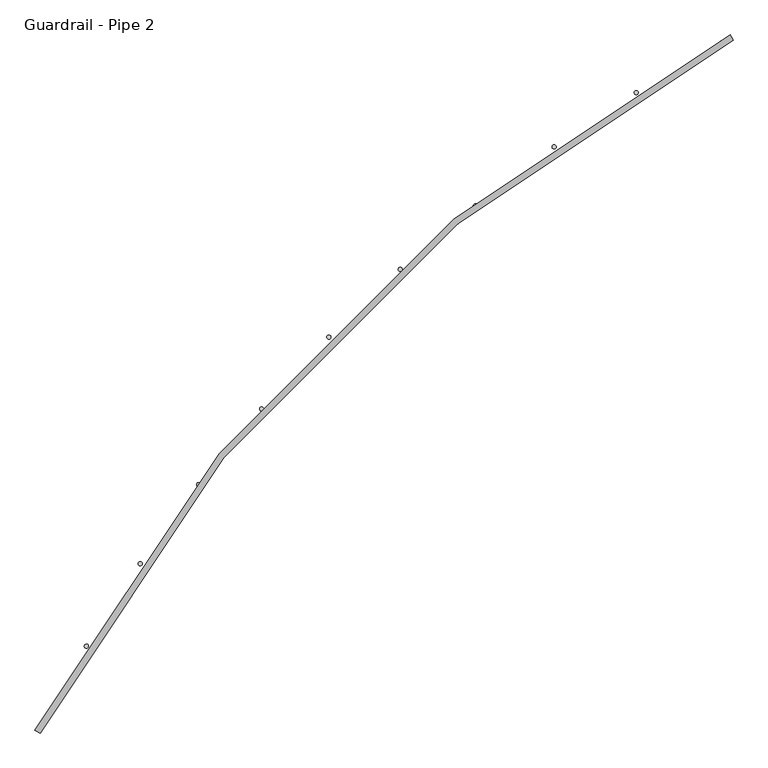
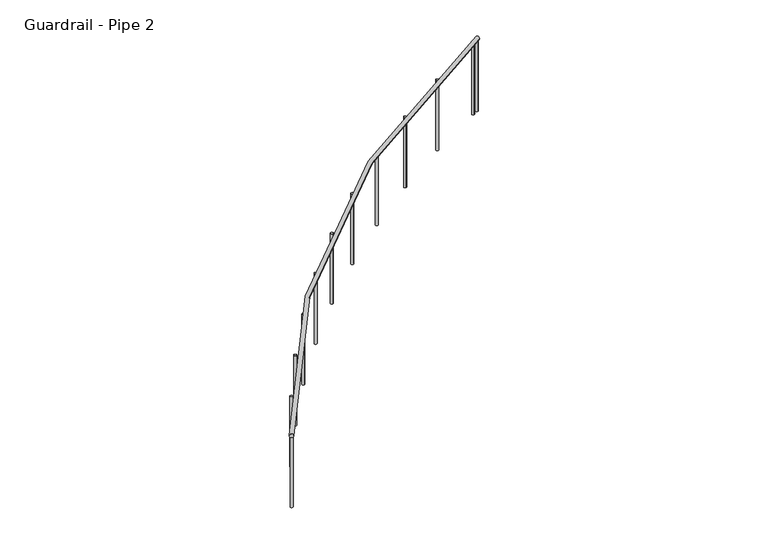
"""IFC4 building model written with IfcOpenShell, lengths in millimetres: railing geometry, Guardrail - Pipe 2."""

import ifcopenshell
import ifcopenshell.guid

model = None  # the IFC model being written
_history = None  # IfcOwnerHistory: only IFC2X3 demands one
_inside = {}  # id of a spatial element -> (the spatial element, [elements in it])
_under = {}  # id of a project, library or spatial element -> (it, [spatial elements below it])
_declared = {}  # id of a project -> (the project, [libraries it declares])
_typed = {}  # id of a type object -> (the type object, [elements of that type])
_made_of = {}  # id of a material, layer set ... -> (it, [elements and type objects made of it])


def new_model(schema):
    """Start an empty IFC model of exactly this schema.

    Asked for "IFC4X3", IfcOpenShell would pick the latest addendum, in which some entities
    have other attributes; the version numbers below select the first issue.
    IFC2X3 requires an IfcOwnerHistory on every rooted entity: one is made here for all.
    """
    global model, _history
    if schema == "IFC4X3":
        model = ifcopenshell.file(schema_version=(4, 3, 0, 0))
    else:
        model = ifcopenshell.file(schema=schema)
    _inside.clear()
    _under.clear()
    _declared.clear()
    _typed.clear()
    _made_of.clear()
    _history = None
    if model.schema == "IFC2X3":
        org = make("IfcOrganization", Name="unknown")
        user = make(
            "IfcPersonAndOrganization",
            ThePerson=make("IfcPerson", FamilyName="unknown"),
            TheOrganization=org,
        )
        app = make(
            "IfcApplication",
            ApplicationDeveloper=org,
            Version="unknown",
            ApplicationFullName="unknown",
            ApplicationIdentifier="unknown",
        )
        _history = make(
            "IfcOwnerHistory",
            OwningUser=user,
            OwningApplication=app,
            ChangeAction="ADDED",
            CreationDate=0,
        )
    return model


def make(cls, **values):
    """One entity of the class cls with the attributes given. An attribute that is None is left unset."""
    return model.create_entity(
        cls, **{name: value for name, value in values.items() if value is not None}
    )


def rooted(cls, **values):
    """An entity with a GlobalId (a new one), such as an element, a storey or a relation."""
    return make(cls, GlobalId=ifcopenshell.guid.new(), OwnerHistory=_history, **values)


def si_unit(unit_type, name, prefix=None):
    """IfcSIUnit, for example si_unit("LENGTHUNIT", "METRE", prefix="MILLI")."""
    return make("IfcSIUnit", UnitType=unit_type, Prefix=prefix, Name=name)


def assignment(units):
    """IfcUnitAssignment: the units of a project."""
    return None if units is None else make("IfcUnitAssignment", Units=units)


def point(xyz):
    """IfcCartesianPoint."""
    return None if xyz is None else make("IfcCartesianPoint", Coordinates=xyz)


def direction(xyz):
    """IfcDirection."""
    return None if xyz is None else make("IfcDirection", DirectionRatios=xyz)


def frame(location, z_axis=None, x_axis=None):
    """IfcAxis2Placement3D, a coordinate frame: its origin and axes. An axis left out is left unset."""
    return make(
        "IfcAxis2Placement3D",
        Location=point(location),
        Axis=direction(z_axis),
        RefDirection=direction(x_axis),
    )


def frame_2d(location, x_axis=None):
    """IfcAxis2Placement2D, a coordinate frame in the plane: its origin and x axis."""
    return make(
        "IfcAxis2Placement2D", Location=point(location), RefDirection=direction(x_axis)
    )


def origin():
    """The frame at (0, 0, 0) with its axes left unset."""
    return frame((0.0, 0.0, 0.0))


def place(relative_to, where):
    """IfcLocalPlacement: puts the frame where relative to a parent placement (None: the world)."""
    return make(
        "IfcLocalPlacement", PlacementRelTo=relative_to, RelativePlacement=where
    )


def context(
    kind, dimensions, precision=None, world=None, true_north=None, identifier=None
):
    """IfcGeometricRepresentationContext, for example the 3D "Model" context."""
    return make(
        "IfcGeometricRepresentationContext",
        ContextIdentifier=identifier,
        ContextType=kind,
        CoordinateSpaceDimension=dimensions,
        Precision=precision,
        WorldCoordinateSystem=world,
        TrueNorth=true_north,
    )


def project(units=None, contexts=None):
    """IfcProject with its units and contexts."""
    return rooted(
        "IfcProject",
        Name="project",
        RepresentationContexts=contexts,
        UnitsInContext=assignment(units),
    )


def spatial(cls, under=None, at=None, **own):
    """A site, building, storey or space (cls), placed at a placement, below another one or the project."""
    s = rooted(cls, ObjectPlacement=at, **own)
    if under is not None:
        _under.setdefault(under.id(), (under, []))[1].append(s)
    return s


def circle_curve(where, radius):
    """IfcCircle in the frame where."""
    return make("IfcCircle", Position=where, Radius=radius)


def ellipse_curve(where, semi_axis1, semi_axis2):
    """IfcEllipse in the frame where."""
    return make(
        "IfcEllipse", Position=where, SemiAxis1=semi_axis1, SemiAxis2=semi_axis2
    )


def trimmed(basis, trim1, trim2, sense, master):
    """IfcTrimmedCurve: the piece of a basis curve between two trims."""
    return make(
        "IfcTrimmedCurve",
        BasisCurve=basis,
        Trim1=trim1,
        Trim2=trim2,
        SenseAgreement=sense,
        MasterRepresentation=master,
    )


def segment(curve, same_sense, transition):
    """IfcCompositeCurveSegment."""
    return make(
        "IfcCompositeCurveSegment",
        Transition=transition,
        SameSense=same_sense,
        ParentCurve=curve,
    )


def composite_curve(segments, self_intersect=None):
    """IfcCompositeCurve: segments joined end to end."""
    return make("IfcCompositeCurve", Segments=segments, SelfIntersect=self_intersect)


def outline(outer, holes=None, kind="AREA"):
    """IfcArbitraryClosedProfileDef: a profile drawn as a closed curve; with holes, ...WithVoids."""
    if holes is None:
        return make("IfcArbitraryClosedProfileDef", ProfileType=kind, OuterCurve=outer)
    return make(
        "IfcArbitraryProfileDefWithVoids",
        ProfileType=kind,
        OuterCurve=outer,
        InnerCurves=holes,
    )


def extrude(swept, where, along, depth):
    """IfcExtrudedAreaSolid: the profile swept, set in the frame where, extruded along a direction by depth."""
    return make(
        "IfcExtrudedAreaSolid",
        SweptArea=swept,
        Position=where,
        ExtrudedDirection=direction(along),
        Depth=depth,
    )


def shape(context_of_items, identifier, shape_type, items):
    """IfcShapeRepresentation: the items that make up one representation, for example the "Body"."""
    return make(
        "IfcShapeRepresentation",
        ContextOfItems=context_of_items,
        RepresentationIdentifier=identifier,
        RepresentationType=shape_type,
        Items=items,
    )


def source(mapping_origin, context_of_items, identifier, shape_type, items):
    """IfcRepresentationMap: a shape defined once, which mapped items show again and again."""
    return make(
        "IfcRepresentationMap",
        MappingOrigin=mapping_origin,
        MappedRepresentation=shape(context_of_items, identifier, shape_type, items),
    )


def transform(
    local_origin,
    x_axis=None,
    y_axis=None,
    z_axis=None,
    scale=None,
    scale2=None,
    scale3=None,
    uniform=True,
):
    """IfcCartesianTransformationOperator3D, or its non-uniform kind. x_axis, y_axis, z_axis: its Axis1, 2, 3."""
    if uniform:
        return make(
            "IfcCartesianTransformationOperator3D",
            Axis1=direction(x_axis),
            Axis2=direction(y_axis),
            LocalOrigin=point(local_origin),
            Scale=scale,
            Axis3=direction(z_axis),
        )
    return make(
        "IfcCartesianTransformationOperator3DnonUniform",
        Axis1=direction(x_axis),
        Axis2=direction(y_axis),
        LocalOrigin=point(local_origin),
        Scale=scale,
        Axis3=direction(z_axis),
        Scale2=scale2,
        Scale3=scale3,
    )


def mapped(mapping_source, mapping_target):
    """IfcMappedItem: shows the shape of a source again, moved by a transform."""
    return make(
        "IfcMappedItem", MappingSource=mapping_source, MappingTarget=mapping_target
    )


def made_of(thing, what):
    """Note that an element or type object is made of a material, layer set ...; save() writes the relation."""
    if what is not None:
        _made_of.setdefault(what.id(), (what, []))[1].append(thing)
    return thing


def element(
    cls,
    number,
    at=None,
    inside=None,
    cuts=None,
    type_object=None,
    material=None,
    context=None,
    identifier="Body",
    shape_type=None,
    held_by="IfcProductDefinitionShape",
    body=None,
    shapes=None,
    **own,
):
    """One element of the class cls, such as IfcWall. Its Tag is "e" and its number.

    at: its placement. inside: the storey or other place that contains it. cuts: it is an
    opening in that element (IfcRelVoidsElement). A single representation is given by context,
    identifier, shape_type and body (its items); several are given by shapes. held_by: the class
    of the entity that holds the representations. save() writes the other relations.
    """
    e = rooted(cls, Tag="e%d" % number, ObjectPlacement=at, **own)
    if body is not None:
        shapes = [shape(context, identifier, shape_type, body)]
    if shapes is not None:
        e.Representation = make(held_by, Representations=shapes)
    if inside is not None:
        _inside.setdefault(inside.id(), (inside, []))[1].append(e)
    if cuts is not None:
        rooted(
            "IfcRelVoidsElement", RelatingBuildingElement=cuts, RelatedOpeningElement=e
        )
    if type_object is not None:
        _typed.setdefault(type_object.id(), (type_object, []))[1].append(e)
    return made_of(e, material)


def aggregate(whole, parts):
    """IfcRelAggregates: a whole, such as a stair, and the parts it consists of."""
    return rooted("IfcRelAggregates", RelatingObject=whole, RelatedObjects=parts)


def save(model, path):
    """Write the relations noted so far, then the file.

    IfcRelAggregates (storeys below a building ...), IfcRelContainedInSpatialStructure (elements
    in a storey), IfcRelDefinesByType, IfcRelAssociatesMaterial and IfcRelDeclares: one each for
    every whole, place, type object, material and project.
    """
    for whole, parts in _under.values():
        aggregate(whole, parts)
    for where, things in _inside.values():
        rooted(
            "IfcRelContainedInSpatialStructure",
            RelatedElements=things,
            RelatingStructure=where,
        )
    for kind, things in _typed.values():
        rooted("IfcRelDefinesByType", RelatedObjects=things, RelatingType=kind)
    for what, things in _made_of.values():
        rooted("IfcRelAssociatesMaterial", RelatedObjects=things, RelatingMaterial=what)
    for by, libraries in _declared.values():
        rooted("IfcRelDeclares", RelatingContext=by, RelatedDefinitions=libraries)
    model.write(path)


def plane_surface(at):
    """IfcPlane: the flat surface through the origin of the frame at, square to its z axis."""
    return make("IfcPlane", Position=at)


def revolved_surface(curve, axis_point, axis_direction):
    """IfcSurfaceOfRevolution: the curve turned about the line through axis_point along axis_direction."""
    return make(
        "IfcSurfaceOfRevolution",
        SweptCurve=make("IfcArbitraryOpenProfileDef", ProfileType="CURVE", Curve=curve),
        AxisPosition=make("IfcAxis1Placement", Location=point(axis_point), Axis=direction(axis_direction)),
    )


def advanced_brep(points, edges, surfaces, faces):
    """IfcAdvancedBrep: a solid bounded by faces that lie on surfaces and meet in shared edges.

    An edge is (start, end): straight between two places in points (the first is 0);
    or (start, end, curve); or (start, end, curve, False) where it runs against its curve.
    A face is (place in surfaces, loops), or (place, loops, False) where it looks against
    its surface's normal. A loop lists edges by number (the first is 1), with a minus sign
    where the edge is run from its end to its start. The first loop is the outer one.
    """
    corners = [point(p) for p in points]
    vertices = [make("IfcVertexPoint", VertexGeometry=c) for c in corners]
    made = []
    for start, end, *more in edges:
        made.append(
            make(
                "IfcEdgeCurve",
                EdgeStart=vertices[start],
                EdgeEnd=vertices[end],
                EdgeGeometry=more[0] if more else make("IfcPolyline", Points=[corners[start], corners[end]]),
                SameSense=more[1] if len(more) > 1 else True,
            )
        )
    hull = []
    for where, loops, *sense in faces:
        bounds = []
        for j, loop in enumerate(loops):
            ring = [make("IfcOrientedEdge", EdgeElement=made[abs(k) - 1], Orientation=k > 0) for k in loop]
            bounds.append(
                make(
                    "IfcFaceOuterBound" if j == 0 else "IfcFaceBound",
                    Bound=make("IfcEdgeLoop", EdgeList=ring),
                    Orientation=True,
                )
            )
        hull.append(make("IfcAdvancedFace", Bounds=bounds, FaceSurface=surfaces[where], SameSense=sense[0] if sense else True))
    return make("IfcAdvancedBrep", Outer=make("IfcClosedShell", CfsFaces=hull))


def guardrail_pipe_2_f239d6dc(model_context):
    return source(origin(), model_context, "Body", "SolidModel", [
        advanced_brep(
        [(199222.1584693, -479375.3815518, 5619.75), (194931.4261163, -483666.1139047, 5619.75), (194897.8084693, -483648.1844929, 5619.75), (199204.2290575, -479341.7639047, 5619.75)],
        [
            (0, 1, circle_curve(frame((204125.8525869, -488569.8080223, 5619.75), z_axis=(0.0, 0.0, 1.0), x_axis=(-0.8823529411766796, 0.4705882352937256, 0.0)), 10420.35)),
            (1, 2, circle_curve(frame((194914.6172928, -483657.1491988, 5619.75), z_axis=(0.4705882352937256, 0.8823529411766796, 0.0), x_axis=(0.8823529411766796, -0.4705882352937256, 0.0)), 19.05)),
            (2, 3, circle_curve(frame((204125.8525869, -488569.8080223, 5619.75), z_axis=(0.0, 0.0, -1.0), x_axis=(-0.8823529411766796, 0.4705882352937256, 0.0)), 10458.45)),
            (3, 0, circle_curve(frame((199213.1937634, -479358.5727282, 5619.75), z_axis=(-0.8823529411766871, -0.4705882352937116, 0.0), x_axis=(0.4705882352937116, -0.8823529411766871, 0.0)), 19.05)),
            (2, 1, circle_curve(frame((194914.6172928, -483657.1491988, 5619.75), z_axis=(0.47058823529373145, 0.8823529411766765, 0.0), x_axis=(0.8823529411766765, -0.47058823529373145, 0.0)), 19.05)),
            (0, 3, circle_curve(frame((199213.1937634, -479358.5727282, 5619.75), z_axis=(-0.8823529411766866, -0.4705882352937126, 0.0), x_axis=(0.4705882352937126, -0.8823529411766866, 0.0)), 19.05)),
        ],
        [
            revolved_surface(trimmed(ellipse_curve(frame((194914.6172928, -483657.1491988, 5619.75), z_axis=(-0.4705882352937256, -0.8823529411766796, 0.0), x_axis=(0.8823529411766796, -0.4705882352937256, 0.0)), 19.05, 19.05), [point((194897.8084693, -483648.1844929, 5619.75))], [point((194931.4261163, -483666.1139047, 5619.75))], True, "CARTESIAN"), (204125.8525869, -488569.8080223, 5638.8), (0.0, 0.0, -1.0)),
            revolved_surface(trimmed(ellipse_curve(frame((194914.6172928, -483657.1491988, 5619.75), z_axis=(-0.4705882352937256, -0.8823529411766796, 0.0), x_axis=(0.8823529411766796, -0.4705882352937256, 0.0)), 19.05, 19.05), [point((194931.4261163, -483666.1139047, 5619.75))], [point((194897.8084693, -483648.1844929, 5619.75))], True, "CARTESIAN"), (204125.8525869, -488569.8080223, 5638.8), (0.0, 0.0, -1.0)),
            plane_surface(frame((194914.6172928, -483657.1491988, 5638.8), z_axis=(-0.4705882352937257, -0.8823529411766797, 0.0), x_axis=(0.8823529411766797, -0.4705882352937257, 0.0))),
            plane_surface(frame((199213.1937634, -479358.5727282, 5638.8), z_axis=(0.8823529411766875, 0.47058823529371097, 0.0), x_axis=(0.47058823529371097, -0.8823529411766875, 0.0))),
        ],
        [
            (0, [[1, 2, 3, 4]]),
            (1, [[-3, 5, -1, 6]]),
            (2, [[-2, -5]]),
            (3, [[-6, -4]]),
        ],
    ),
        extrude(outline(composite_curve([segment(trimmed(circle_curve(frame_2d((199149.3859807, -479392.8884696)), 12.7), [point((199143.331885, -479381.7243339))], [point((199155.4400763, -479404.0526054))], False, "CARTESIAN"), True, "CONTINUOUS"), segment(trimmed(circle_curve(frame_2d((199149.3859807, -479392.8884696)), 12.7), [point((199155.4400763, -479404.0526054))], [point((199143.331885, -479381.7243339))], False, "CARTESIAN"), True, "CONTINUOUS")], self_intersect=False)), frame((0.0, 0.0, 4876.8), z_axis=(0.0, 0.0, 1.0), x_axis=(1.0, 0.0, 0.0)), (0.0, 0.0, 1.0), 723.9),
        extrude(outline(composite_curve([segment(trimmed(circle_curve(frame_2d((198622.2941227, -479698.9615807)), 12.7), [point((198615.5987961, -479688.1697967))], [point((198628.9894493, -479709.7533647))], False, "CARTESIAN"), True, "CONTINUOUS"), segment(trimmed(circle_curve(frame_2d((198622.2941227, -479698.9615807)), 12.7), [point((198628.9894493, -479709.7533647))], [point((198615.5987961, -479688.1697967))], False, "CARTESIAN"), True, "CONTINUOUS")], self_intersect=False)), frame((0.0, 0.0, 4876.8), z_axis=(0.0, 0.0, 1.0), x_axis=(1.0, 0.0, 0.0)), (0.0, 0.0, 1.0), 723.9),
        extrude(outline(composite_curve([segment(trimmed(circle_curve(frame_2d((198113.9633957, -480035.2746015)), 12.7), [point((198106.6496619, -480024.8919574))], [point((198121.2771295, -480045.6572455))], False, "CARTESIAN"), True, "CONTINUOUS"), segment(trimmed(circle_curve(frame_2d((198113.9633957, -480035.2746015)), 12.7), [point((198121.2771295, -480045.6572455))], [point((198106.6496619, -480024.8919574))], False, "CARTESIAN"), True, "CONTINUOUS")], self_intersect=False)), frame((0.0, 0.0, 4876.8), z_axis=(0.0, 0.0, 1.0), x_axis=(1.0, 0.0, 0.0)), (0.0, 0.0, 1.0), 723.9),
        extrude(outline(composite_curve([segment(trimmed(circle_curve(frame_2d((197626.1266528, -480400.6810714)), 12.7), [point((197618.2194436, -480390.7429607))], [point((197634.033862, -480410.619182))], False, "CARTESIAN"), True, "CONTINUOUS"), segment(trimmed(circle_curve(frame_2d((197626.1266528, -480400.6810714)), 12.7), [point((197634.033862, -480410.619182))], [point((197618.2194436, -480390.7429607))], False, "CARTESIAN"), True, "CONTINUOUS")], self_intersect=False)), frame((0.0, 0.0, 4876.8), z_axis=(0.0, 0.0, 1.0), x_axis=(1.0, 0.0, 0.0)), (0.0, 0.0, 1.0), 723.9),
        extrude(outline(composite_curve([segment(trimmed(circle_curve(frame_2d((197160.4468852, -480793.935353)), 12.7), [point((197151.9731556, -480784.4756539))], [point((197168.9206147, -480803.3950521))], False, "CARTESIAN"), True, "CONTINUOUS"), segment(trimmed(circle_curve(frame_2d((197160.4468852, -480793.935353)), 12.7), [point((197168.9206147, -480803.3950521))], [point((197151.9731556, -480784.4756539))], False, "CARTESIAN"), True, "CONTINUOUS")], self_intersect=False)), frame((0.0, 0.0, 4876.8), z_axis=(0.0, 0.0, 1.0), x_axis=(1.0, 0.0, 0.0)), (0.0, 0.0, 1.0), 723.9),
        extrude(outline(composite_curve([segment(trimmed(circle_curve(frame_2d((196718.5115529, -481213.6968782)), 12.7), [point((196709.5001891, -481204.7478379))], [point((196727.5229166, -481222.6459185))], False, "CARTESIAN"), True, "CONTINUOUS"), segment(trimmed(circle_curve(frame_2d((196718.5115529, -481213.6968782)), 12.7), [point((196727.5229166, -481222.6459185))], [point((196709.5001891, -481204.7478379))], False, "CARTESIAN"), True, "CONTINUOUS")], self_intersect=False)), frame((0.0, 0.0, 4876.8), z_axis=(0.0, 0.0, 1.0), x_axis=(1.0, 0.0, 0.0)), (0.0, 0.0, 1.0), 723.9),
        extrude(outline(composite_curve([segment(trimmed(circle_curve(frame_2d((196301.8271733, -481658.5347181)), 12.7), [point((196292.3088942, -481650.126843))], [point((196311.3454523, -481666.9425932))], False, "CARTESIAN"), True, "CONTINUOUS"), segment(trimmed(circle_curve(frame_2d((196301.8271733, -481658.5347181)), 12.7), [point((196311.3454523, -481666.9425932))], [point((196292.3088942, -481650.126843))], False, "CARTESIAN"), True, "CONTINUOUS")], self_intersect=False)), frame((0.0, 0.0, 4876.8), z_axis=(0.0, 0.0, 1.0), x_axis=(1.0, 0.0, 0.0)), (0.0, 0.0, 1.0), 723.9),
        extrude(outline(composite_curve([segment(trimmed(circle_curve(frame_2d((195911.8141856, -482126.9324609)), 12.7), [point((195901.8214381, -482119.0944127))], [point((195921.806933, -482134.770509))], False, "CARTESIAN"), True, "CONTINUOUS"), segment(trimmed(circle_curve(frame_2d((195911.8141856, -482126.9324609)), 12.7), [point((195921.806933, -482134.770509))], [point((195901.8214381, -482119.0944127))], False, "CARTESIAN"), True, "CONTINUOUS")], self_intersect=False)), frame((0.0, 0.0, 4876.8), z_axis=(0.0, 0.0, 1.0), x_axis=(1.0, 0.0, 0.0)), (0.0, 0.0, 1.0), 723.9),
        extrude(outline(composite_curve([segment(trimmed(circle_curve(frame_2d((195549.8021086, -482617.2933811)), 12.7), [point((195539.3689572, -482610.0518791))], [point((195560.2352601, -482624.5348831))], False, "CARTESIAN"), True, "CONTINUOUS"), segment(trimmed(circle_curve(frame_2d((195549.8021086, -482617.2933811)), 12.7), [point((195560.2352601, -482624.5348831))], [point((195539.3689572, -482610.0518791))], False, "CARTESIAN"), True, "CONTINUOUS")], self_intersect=False)), frame((0.0, 0.0, 4876.8), z_axis=(0.0, 0.0, 1.0), x_axis=(1.0, 0.0, 0.0)), (0.0, 0.0, 1.0), 723.9),
        extrude(outline(composite_curve([segment(trimmed(circle_curve(frame_2d((195217.0250087, -483127.9458831)), 12.7), [point((195206.187019, -483121.3256129))], [point((195227.8629985, -483134.5661534))], False, "CARTESIAN"), True, "CONTINUOUS"), segment(trimmed(circle_curve(frame_2d((195217.0250087, -483127.9458831)), 12.7), [point((195227.8629985, -483134.5661534))], [point((195206.187019, -483121.3256129))], False, "CARTESIAN"), True, "CONTINUOUS")], self_intersect=False)), frame((0.0, 0.0, 4876.8), z_axis=(0.0, 0.0, 1.0), x_axis=(1.0, 0.0, 0.0)), (0.0, 0.0, 1.0), 723.9),
        extrude(outline(composite_curve([segment(trimmed(circle_curve(frame_2d((199201.9915191, -479364.5560136)), 12.7), [point((199196.0014205, -479353.3574101))], [point((199207.9816178, -479375.754617))], False, "CARTESIAN"), True, "CONTINUOUS"), segment(trimmed(circle_curve(frame_2d((199201.9915191, -479364.5560136)), 12.7), [point((199207.9816178, -479375.754617))], [point((199196.0014205, -479353.3574101))], False, "CARTESIAN"), True, "CONTINUOUS")], self_intersect=False)), frame((0.0, 0.0, 4876.8), z_axis=(0.0, 0.0, 1.0), x_axis=(1.0, 0.0, 0.0)), (0.0, 0.0, 1.0), 723.9),
        extrude(outline(composite_curve([segment(trimmed(circle_curve(frame_2d((194920.6005782, -483645.9469546)), 12.7), [point((194909.4019747, -483639.9568559))], [point((194931.7991816, -483651.9370532))], False, "CARTESIAN"), True, "CONTINUOUS"), segment(trimmed(circle_curve(frame_2d((194920.6005782, -483645.9469546)), 12.7), [point((194931.7991816, -483651.9370532))], [point((194909.4019747, -483639.9568559))], False, "CARTESIAN"), True, "CONTINUOUS")], self_intersect=False)), frame((0.0, 0.0, 4876.8), z_axis=(0.0, 0.0, 1.0), x_axis=(1.0, 0.0, 0.0)), (0.0, 0.0, 1.0), 723.9),
    ])


if __name__ == "__main__":
    model = new_model("IFC4")
    model_context = context("Model", 3, world=origin())
    ifc_project = project(units=[si_unit("LENGTHUNIT", "METRE", prefix="MILLI")], contexts=[model_context])
    site = spatial("IfcSite", under=ifc_project)
    building = spatial("IfcBuilding", under=site)
    placement = place(None, origin())
    guardrail_pipe_2_shape = guardrail_pipe_2_f239d6dc(model_context)
    element("IfcRailing", 1, ObjectType="Guardrail - Pipe 2", at=placement, inside=building, context=model_context, shape_type="MappedRepresentation", body=[
        mapped(guardrail_pipe_2_shape, transform((0.0, 0.0, 0.0), x_axis=(1.0, 0.0, 0.0), y_axis=(0.0, 1.0, 0.0), z_axis=(0.0, 0.0, 1.0))),
    ])
    save(model, "model.ifc")
